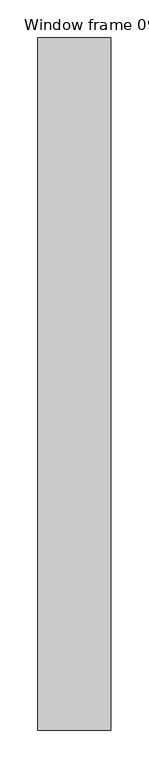
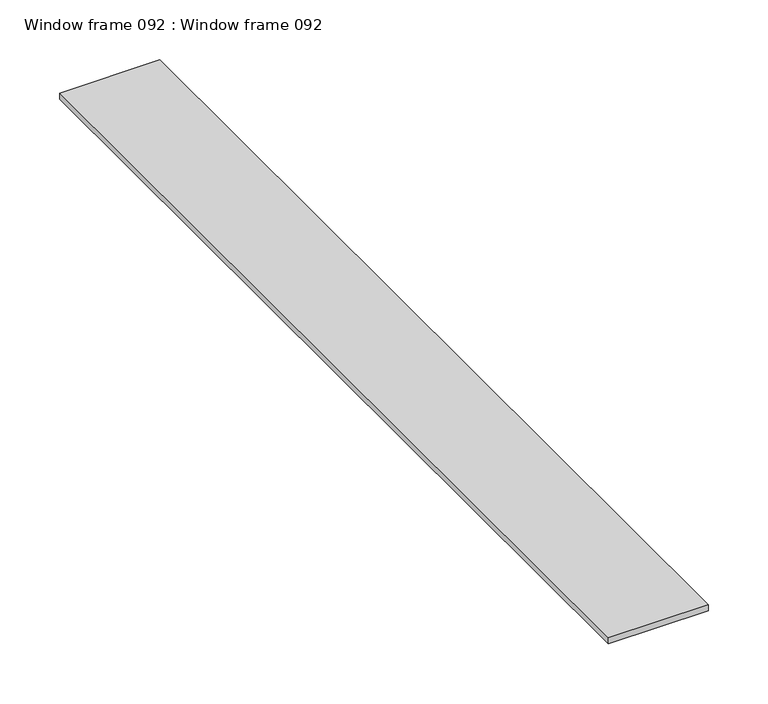
"""IFC4 building model written with IfcOpenShell, lengths in millimetres: proxy geometry, Window frame 092 : Window frame 092."""

from ifc_helpers import new_model, si_unit, frame, origin, place, context, project, spatial, polyline, outline, extrude, source, transform, mapped, element, save


def window_frame_092_window_frame_092_0bb0dcc1(model_context):
    return source(origin(), model_context, "Body", "SweptSolid", [
        extrude(outline(polyline([(37642.264108, -19576.8264268), (37546.098877, -19576.8264268), (37546.098877, -18662.4264268), (37642.264108, -18662.4264268), (37642.264108, -19576.8264268)])), frame((0.0, 0.0, 1320.8), z_axis=(0.0, 0.0, 1.0), x_axis=(1.0, 0.0, 0.0)), (0.0, 0.0, 1.0), 6.3089005),
    ])


if __name__ == "__main__":
    model = new_model("IFC4")
    model_context = context("Model", 3, world=origin())
    ifc_project = project(units=[si_unit("LENGTHUNIT", "METRE", prefix="MILLI")], contexts=[model_context])
    site = spatial("IfcSite", under=ifc_project)
    building = spatial("IfcBuilding", under=site)
    placement = place(None, origin())
    window_frame_092_window_frame_092_shape = window_frame_092_window_frame_092_0bb0dcc1(model_context)
    element("IfcBuildingElementProxy", 1, Name="Window frame 092 : Window frame 092", ObjectType="Window frame 092 : Window frame 092", at=placement, inside=building, context=model_context, shape_type="MappedRepresentation", body=[
        mapped(window_frame_092_window_frame_092_shape, transform((0.0, 0.0, 0.0), x_axis=(1.0, 0.0, 0.0), y_axis=(0.0, 1.0, 0.0), z_axis=(0.0, 0.0, 1.0))),
    ])
    save(model, "model.ifc")
